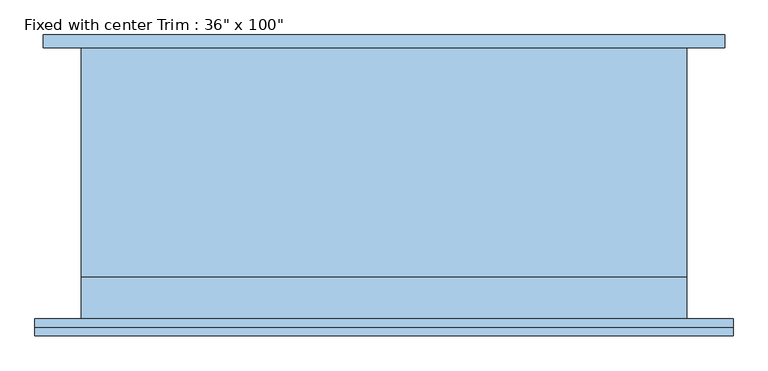
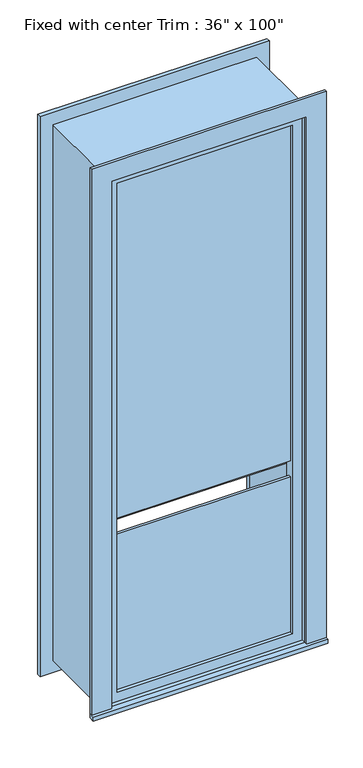
"""IFC4 building model written with IfcOpenShell, lengths in millimetres: window geometry."""

from ifc_helpers import new_model, si_unit, frame, origin, place, context, project, spatial, polyline, outline, extrude, source, transform, mapped, element, save


def window_ae79a331(model_context):
    return source(origin(), model_context, "Body", "SweptSolid", [
        extrude(outline(polyline([(-565.15, -230.124), (-565.15, -204.724), (488.95, -204.724), (488.95, -230.124), (-565.15, -230.124)])), frame((0.0, 0.0, 304.8), z_axis=(0.0, 0.0, 1.0), x_axis=(1.0, 0.0, 0.0)), (0.0, 0.0, 1.0), 19.05),
        extrude(outline(polyline([(2825.75, -476.25), (2825.75, 400.05), (323.85, 400.05), (323.85, 488.95), (2914.65, 488.95), (2914.65, -565.15), (323.85, -565.15), (323.85, -476.25), (2825.75, -476.25)])), frame((0.0, -217.424, 0.0), z_axis=(0.0, 1.0, 0.0), x_axis=(0.0, 0.0, 1.0)), (0.0, 0.0, 1.0), 12.7),
        extrude(outline(polyline([(2901.95, 476.25), (2901.95, -552.45), (247.65, -552.45), (247.65, 476.25), (2901.95, 476.25)]), holes=[polyline([(2813.05, 387.35), (336.55, 387.35), (336.55, -463.55), (2813.05, -463.55), (2813.05, 387.35)])]), frame((0.0, 204.724, 0.0), z_axis=(0.0, 1.0, 0.0), x_axis=(0.0, 0.0, 1.0)), (0.0, 0.0, 1.0), 19.05),
        extrude(outline(polyline([(355.6, -157.099), (355.6, -169.799), (-431.8, -169.799), (-431.8, -157.099), (355.6, -157.099)])), frame((0.0, 0.0, 1181.1), z_axis=(0.0, 0.0, 1.0), x_axis=(1.0, 0.0, 0.0)), (0.0, 0.0, 1.0), 1600.2),
        extrude(outline(polyline([(355.6, -157.099), (355.6, -169.799), (-431.8, -169.799), (-431.8, -157.099), (355.6, -157.099)])), frame((0.0, 0.0, 368.3), z_axis=(0.0, 0.0, 1.0), x_axis=(1.0, 0.0, 0.0)), (0.0, 0.0, 1.0), 736.6),
        extrude(outline(polyline([(2844.8, -495.3), (304.8, -495.3), (304.8, 419.1), (2844.8, 419.1), (2844.8, -495.3)]), holes=[polyline([(2813.05, -463.55), (2813.05, 387.35), (336.55, 387.35), (336.55, -463.55), (2813.05, -463.55)])]), frame((0.0, -141.224, 0.0), z_axis=(0.0, 1.0, 0.0), x_axis=(0.0, 0.0, 1.0)), (0.0, 0.0, 1.0), 345.948),
        extrude(outline(polyline([(2844.8, 419.1), (2844.8, -495.3), (304.8, -495.3), (304.8, 419.1), (2844.8, 419.1)]), holes=[polyline([(2825.75, 400.05), (323.85, 400.05), (323.85, -476.25), (2825.75, -476.25), (2825.75, 400.05)])]), frame((0.0, -204.724, 0.0), z_axis=(0.0, 1.0, 0.0), x_axis=(0.0, 0.0, 1.0)), (0.0, 0.0, 1.0), 63.5),
        extrude(outline(polyline([(2825.75, -476.25), (323.85, -476.25), (323.85, 400.05), (2825.75, 400.05), (2825.75, -476.25)]), holes=[polyline([(2781.3, -431.8), (2781.3, 355.6), (368.3, 355.6), (368.3, -431.8), (2781.3, -431.8)])]), frame((0.0, -185.674, 0.0), z_axis=(0.0, 1.0, 0.0), x_axis=(0.0, 0.0, 1.0)), (0.0, 0.0, 1.0), 44.45),
        extrude(outline(polyline([(387.35, 101.6), (387.35, -82.55), (-463.55, -82.55), (-463.55, 101.6), (387.35, 101.6)])), frame((0.0, 0.0, 1104.9), z_axis=(0.0, 0.0, 1.0), x_axis=(1.0, 0.0, 0.0)), (0.0, 0.0, 1.0), 76.2),
    ])


if __name__ == "__main__":
    model = new_model("IFC4")
    model_context = context("Model", 3, world=origin())
    ifc_project = project(units=[si_unit("LENGTHUNIT", "METRE", prefix="MILLI")], contexts=[model_context])
    site = spatial("IfcSite", under=ifc_project)
    building = spatial("IfcBuilding", under=site)
    placement = place(None, origin())
    window_shape = window_ae79a331(model_context)
    element("IfcWindow", 1, ObjectType="Fixed with center Trim : 36\" x 100\"", at=placement, inside=building, context=model_context, shape_type="MappedRepresentation", body=[
        mapped(window_shape, transform((0.0, 0.0, 0.0), x_axis=(1.0, 0.0, 0.0), y_axis=(0.0, 1.0, 0.0), z_axis=(0.0, 0.0, 1.0))),
    ])
    save(model, "model.ifc")
